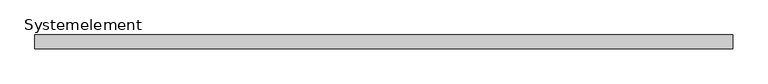
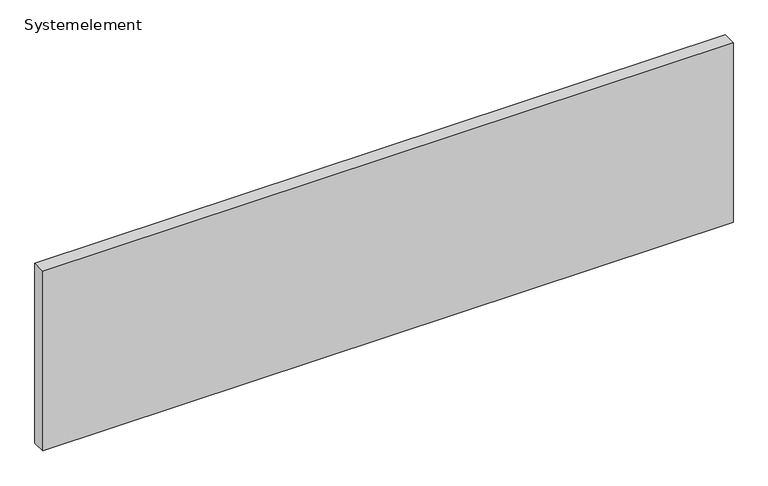
"""IFC4 building model written with IfcOpenShell, lengths in millimetres: plate geometry, Systemelement."""

from ifc_helpers import new_model, si_unit, origin, origin_with_axes, place, context, project, spatial, polyline, outline, extrude, source, transform, mapped, element, save


def systemelement_37ce7da0(model_context):
    return source(origin(), model_context, "Body", "SweptSolid", [
        extrude(outline(polyline([(2000.0, -80.0), (-2000.0, -80.0), (-2000.0, 0.0), (2000.0, 0.0), (2000.0, -80.0)])), origin_with_axes(), (0.0, 0.0, 1.0), 1100.0),
    ])


if __name__ == "__main__":
    model = new_model("IFC4")
    model_context = context("Model", 3, world=origin())
    ifc_project = project(units=[si_unit("LENGTHUNIT", "METRE", prefix="MILLI")], contexts=[model_context])
    site = spatial("IfcSite", under=ifc_project)
    building = spatial("IfcBuilding", under=site)
    placement = place(None, origin())
    systemelement_shape = systemelement_37ce7da0(model_context)
    element("IfcPlate", 1, ObjectType="Systemelement", at=placement, inside=building, context=model_context, shape_type="MappedRepresentation", body=[
        mapped(systemelement_shape, transform((0.0, 0.0, 0.0), x_axis=(1.0, 0.0, 0.0), y_axis=(0.0, 1.0, 0.0), z_axis=(0.0, 0.0, 1.0))),
    ])
    save(model, "model.ifc")
